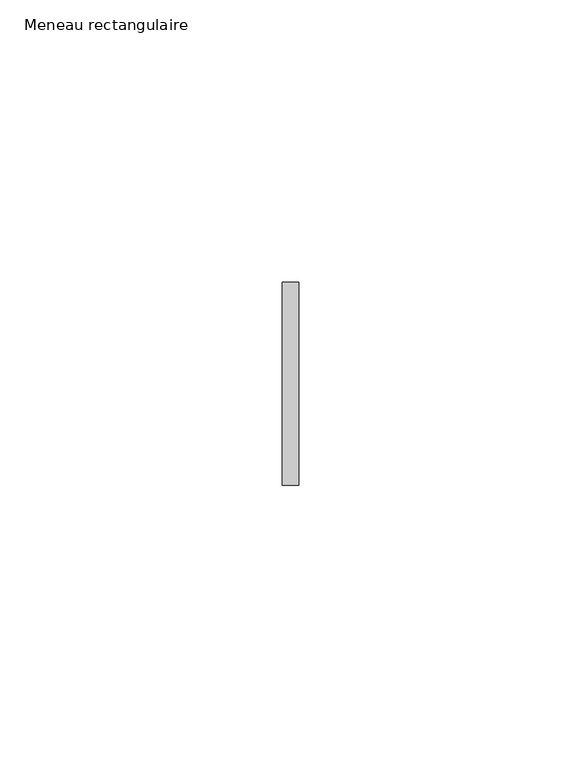
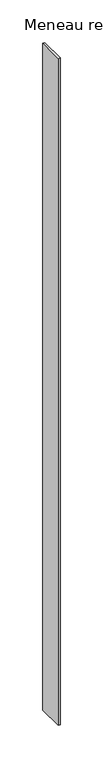
"""IFC4 building model written with IfcOpenShell, lengths in millimetres: member geometry, Meneau rectangulaire."""

from ifc_helpers import new_model, si_unit, frame, origin, place, context, project, spatial, polyline, outline, extrude, source, transform, mapped, element, save


def meneau_rectangulaire_3e7918be(model_context):
    return source(origin(), model_context, "Body", "SweptSolid", [
        extrude(outline(polyline([(-1.5, 18.0), (1.5, 18.0), (1.5, -18.0), (-1.5, -18.0), (-1.5, 18.0)])), frame((0.0, 0.0, -953.5), z_axis=(0.0, 0.0, 1.0), x_axis=(1.0, 0.0, 0.0)), (0.0, 0.0, 1.0), 953.5),
    ])


if __name__ == "__main__":
    model = new_model("IFC4")
    model_context = context("Model", 3, world=origin())
    ifc_project = project(units=[si_unit("LENGTHUNIT", "METRE", prefix="MILLI")], contexts=[model_context])
    site = spatial("IfcSite", under=ifc_project)
    building = spatial("IfcBuilding", under=site)
    placement = place(None, origin())
    meneau_rectangulaire_shape = meneau_rectangulaire_3e7918be(model_context)
    element("IfcMember", 1, ObjectType="Meneau rectangulaire", at=placement, inside=building, context=model_context, shape_type="MappedRepresentation", body=[
        mapped(meneau_rectangulaire_shape, transform((0.0, 0.0, 0.0), x_axis=(1.0, 0.0, 0.0), y_axis=(0.0, 1.0, 0.0), z_axis=(0.0, 0.0, 1.0))),
    ])
    save(model, "model.ifc")
